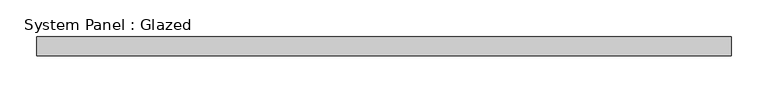
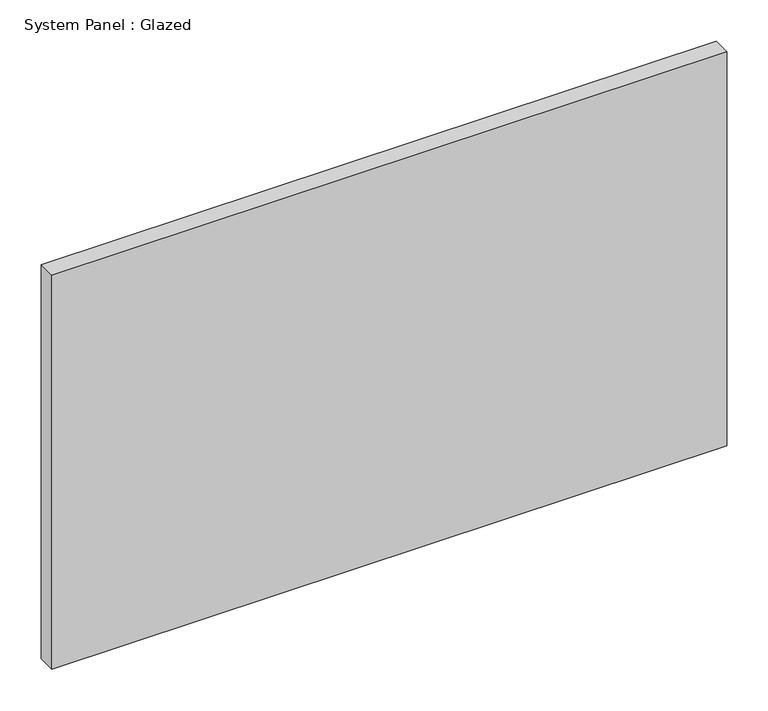
"""IFC4 building model written with IfcOpenShell, lengths in millimetres: plate geometry, System Panel : Glazed."""

from ifc_helpers import new_model, si_unit, origin, origin_with_axes, place, context, project, spatial, polyline, outline, extrude, source, transform, mapped, element, save


def system_panel_glazed_504dc8ac(model_context):
    return source(origin(), model_context, "Body", "SweptSolid", [
        extrude(outline(polyline([(469.9, 19.05), (-469.9, 19.05), (-469.9, 44.45), (469.9, 44.45), (469.9, 19.05)])), origin_with_axes(), (0.0, 0.0, 1.0), 579.9666667),
    ])


if __name__ == "__main__":
    model = new_model("IFC4")
    model_context = context("Model", 3, world=origin())
    ifc_project = project(units=[si_unit("LENGTHUNIT", "METRE", prefix="MILLI")], contexts=[model_context])
    site = spatial("IfcSite", under=ifc_project)
    building = spatial("IfcBuilding", under=site)
    placement = place(None, origin())
    system_panel_glazed_shape = system_panel_glazed_504dc8ac(model_context)
    element("IfcPlate", 1, ObjectType="System Panel : Glazed", at=placement, inside=building, context=model_context, shape_type="MappedRepresentation", body=[
        mapped(system_panel_glazed_shape, transform((0.0, 0.0, 0.0), x_axis=(1.0, 0.0, 0.0), y_axis=(0.0, 1.0, 0.0), z_axis=(0.0, 0.0, 1.0))),
    ])
    save(model, "model.ifc")
